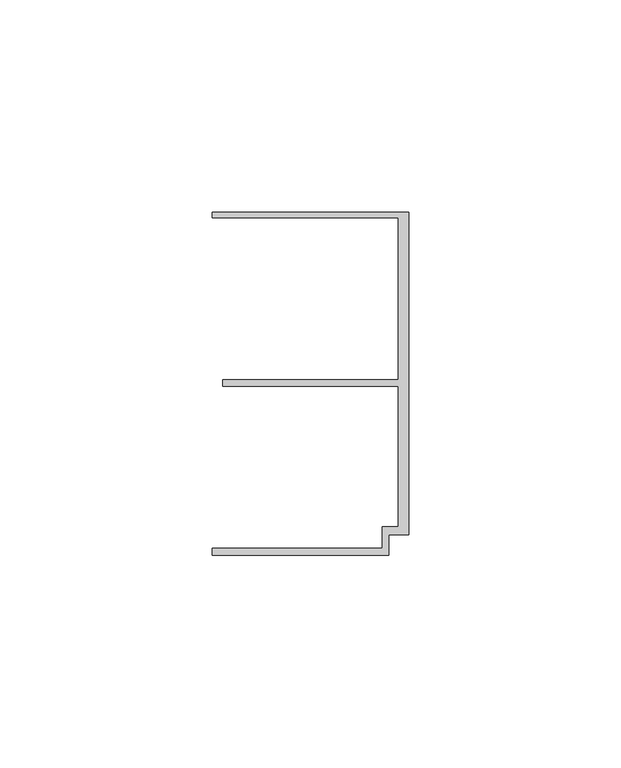
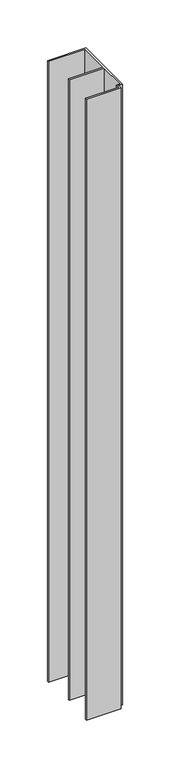
"""IFC4 building model written with IfcOpenShell, lengths in millimetres: member geometry."""

from ifc_helpers import new_model, si_unit, frame, origin, place, context, project, spatial, polyline, outline, extrude, source, transform, mapped, element, save


def member_88919c3b(model_context):
    return source(origin(), model_context, "Body", "SweptSolid", [
        extrude(outline(polyline([(-6.2, -33.95), (-2.4, -33.95), (-2.4, -0.75), (-43.8, -0.75), (-43.8, 0.75), (-2.4, 0.75), (-2.4, 38.95), (-46.3, 38.95), (-46.3, 40.25), (0.0, 40.25), (0.0, -35.75), (-4.6999992, -35.75), (-4.6999992, -40.65), (-46.3, -40.65), (-46.3, -38.95), (-6.2, -38.95), (-6.2, -33.95)])), frame((0.0, 0.0, -790.0), z_axis=(0.0, 0.0, 1.0), x_axis=(1.0, 0.0, 0.0)), (0.0, 0.0, 1.0), 790.0),
    ])


if __name__ == "__main__":
    model = new_model("IFC4")
    model_context = context("Model", 3, world=origin())
    ifc_project = project(units=[si_unit("LENGTHUNIT", "METRE", prefix="MILLI")], contexts=[model_context])
    site = spatial("IfcSite", under=ifc_project)
    building = spatial("IfcBuilding", under=site)
    placement = place(None, origin())
    member_shape = member_88919c3b(model_context)
    element("IfcMember", 1, at=placement, inside=building, context=model_context, shape_type="MappedRepresentation", body=[
        mapped(member_shape, transform((0.0, 0.0, 0.0), x_axis=(1.0, 0.0, 0.0), y_axis=(0.0, 1.0, 0.0), z_axis=(0.0, 0.0, 1.0))),
    ])
    save(model, "model.ifc")
